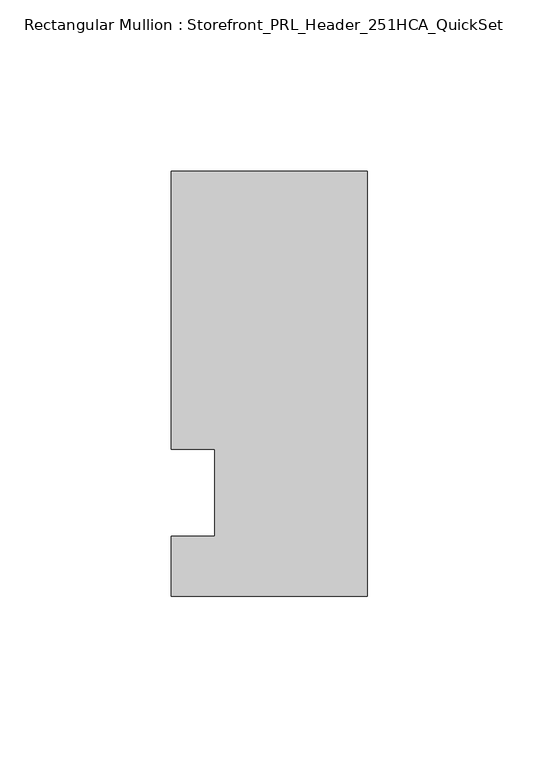
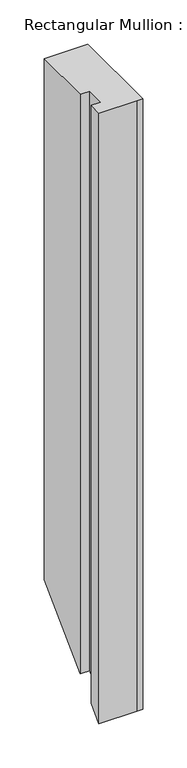
"""IFC4 building model written with IfcOpenShell, lengths in millimetres: member geometry, Rectangular Mullion : Storefront_PRL_Header_251HCA_QuickSet."""

from ifc_helpers import new_model, si_unit, origin, place, context, project, spatial, faceted_brep, source, transform, mapped, element, save


def rectangular_mullion_storefront_prl_header_251hca_quickset_45af0766(model_context):
    return source(origin(), model_context, "Body", "Brep", [
        faceted_brep([(-44.45, 12.7, 0.0), (-44.45, -12.7, 0.0), (-57.15, -12.7, 0.0), (-57.15, -30.1625, 0.0), (-7.7254924, -30.1625, 0.0), (0.0, -30.1625, 0.0), (0.0, 93.6625, 0.0), (-6.35, 93.6625, 0.0), (-57.15, 93.6625, 0.0), (-57.15, 12.7, 0.0), (-44.45, 12.7, -800.1), (-44.45, -12.7, -825.5), (-57.15, -12.7, -825.5), (-57.15, -30.1625, -842.9625), (-7.7254924, -30.1625, -842.9625), (0.0, -30.1625, -842.9625), (0.0, 93.6625, -719.1375), (-6.35, 93.6625, -719.1375), (-57.15, 93.6625, -719.1375), (-57.15, 12.7, -800.1)], [[[0, 1, 2, 3, 4, 5, 6, 7, 8, 9]], [[1, 0, 10, 11]], [[2, 1, 11, 12]], [[3, 2, 12, 13]], [[4, 3, 13, 14]], [[5, 4, 14, 15]], [[6, 5, 15, 16]], [[7, 6, 16, 17]], [[8, 7, 17, 18]], [[9, 8, 18, 19]], [[0, 9, 19, 10]], [[10, 19, 18, 17, 16, 15, 14, 13, 12, 11]]]),
    ])


if __name__ == "__main__":
    model = new_model("IFC4")
    model_context = context("Model", 3, world=origin())
    ifc_project = project(units=[si_unit("LENGTHUNIT", "METRE", prefix="MILLI")], contexts=[model_context])
    site = spatial("IfcSite", under=ifc_project)
    building = spatial("IfcBuilding", under=site)
    placement = place(None, origin())
    rectangular_mullion_storefront_prl_header_251hca_quickset_shape = rectangular_mullion_storefront_prl_header_251hca_quickset_45af0766(model_context)
    element("IfcMember", 1, ObjectType="Rectangular Mullion : Storefront_PRL_Header_251HCA_QuickSet", at=placement, inside=building, context=model_context, shape_type="MappedRepresentation", body=[
        mapped(rectangular_mullion_storefront_prl_header_251hca_quickset_shape, transform((0.0, 0.0, 0.0), x_axis=(1.0, 0.0, 0.0), y_axis=(0.0, 1.0, 0.0), z_axis=(0.0, 0.0, 1.0))),
    ])
    save(model, "model.ifc")
